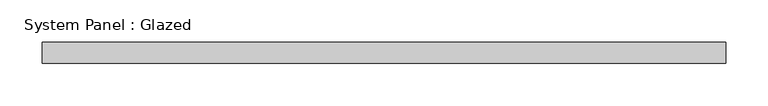
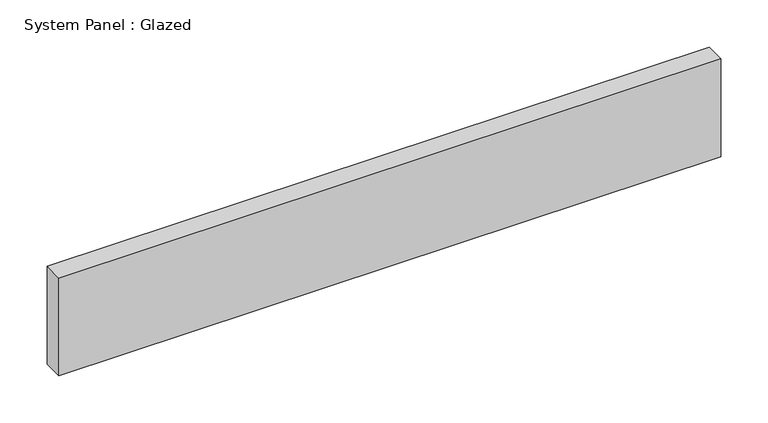
"""IFC4 building model written with IfcOpenShell, lengths in millimetres: plate geometry, System Panel : Glazed."""

from ifc_helpers import new_model, si_unit, origin, origin_with_axes, place, context, project, spatial, polyline, outline, extrude, source, transform, mapped, element, save


def system_panel_glazed_41dd3eac(model_context):
    return source(origin(), model_context, "Body", "SweptSolid", [
        extrude(outline(polyline([(406.4, -12.7), (-406.4, -12.7), (-406.4, 12.7), (406.4, 12.7), (406.4, -12.7)])), origin_with_axes(), (0.0, 0.0, 1.0), 127.0),
    ])


if __name__ == "__main__":
    model = new_model("IFC4")
    model_context = context("Model", 3, world=origin())
    ifc_project = project(units=[si_unit("LENGTHUNIT", "METRE", prefix="MILLI")], contexts=[model_context])
    site = spatial("IfcSite", under=ifc_project)
    building = spatial("IfcBuilding", under=site)
    placement = place(None, origin())
    system_panel_glazed_shape = system_panel_glazed_41dd3eac(model_context)
    element("IfcPlate", 1, ObjectType="System Panel : Glazed", at=placement, inside=building, context=model_context, shape_type="MappedRepresentation", body=[
        mapped(system_panel_glazed_shape, transform((0.0, 0.0, 0.0), x_axis=(1.0, 0.0, 0.0), y_axis=(0.0, 1.0, 0.0), z_axis=(0.0, 0.0, 1.0))),
    ])
    save(model, "model.ifc")
